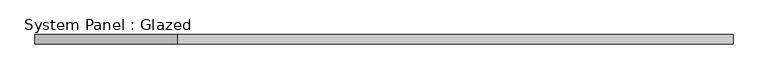
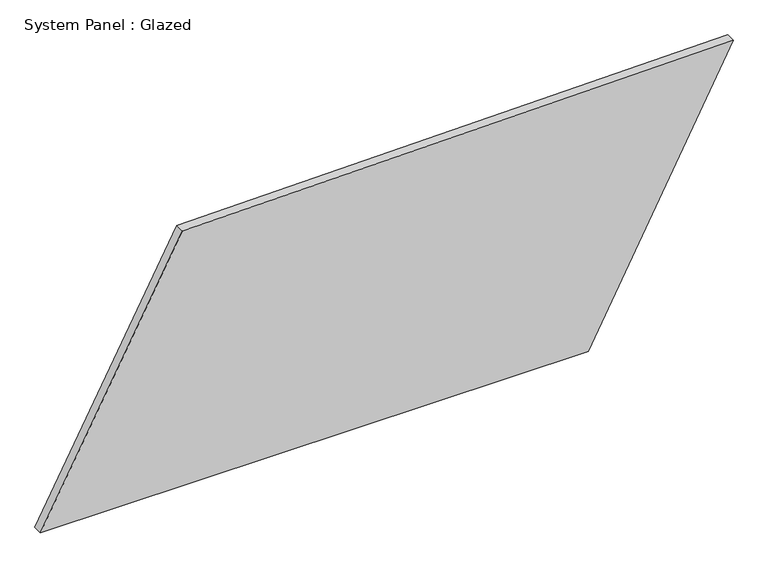
"""IFC4 building model written with IfcOpenShell, lengths in millimetres: plate geometry, System Panel : Glazed."""

import ifcopenshell
import ifcopenshell.guid

model = None  # the IFC model being written
_history = None  # IfcOwnerHistory: only IFC2X3 demands one
_inside = {}  # id of a spatial element -> (the spatial element, [elements in it])
_under = {}  # id of a project, library or spatial element -> (it, [spatial elements below it])
_declared = {}  # id of a project -> (the project, [libraries it declares])
_typed = {}  # id of a type object -> (the type object, [elements of that type])
_made_of = {}  # id of a material, layer set ... -> (it, [elements and type objects made of it])


def new_model(schema):
    """Start an empty IFC model of exactly this schema.

    Asked for "IFC4X3", IfcOpenShell would pick the latest addendum, in which some entities
    have other attributes; the version numbers below select the first issue.
    IFC2X3 requires an IfcOwnerHistory on every rooted entity: one is made here for all.
    """
    global model, _history
    if schema == "IFC4X3":
        model = ifcopenshell.file(schema_version=(4, 3, 0, 0))
    else:
        model = ifcopenshell.file(schema=schema)
    _inside.clear()
    _under.clear()
    _declared.clear()
    _typed.clear()
    _made_of.clear()
    _history = None
    if model.schema == "IFC2X3":
        org = make("IfcOrganization", Name="unknown")
        user = make(
            "IfcPersonAndOrganization",
            ThePerson=make("IfcPerson", FamilyName="unknown"),
            TheOrganization=org,
        )
        app = make(
            "IfcApplication",
            ApplicationDeveloper=org,
            Version="unknown",
            ApplicationFullName="unknown",
            ApplicationIdentifier="unknown",
        )
        _history = make(
            "IfcOwnerHistory",
            OwningUser=user,
            OwningApplication=app,
            ChangeAction="ADDED",
            CreationDate=0,
        )
    return model


def make(cls, **values):
    """One entity of the class cls with the attributes given. An attribute that is None is left unset."""
    return model.create_entity(
        cls, **{name: value for name, value in values.items() if value is not None}
    )


def rooted(cls, **values):
    """An entity with a GlobalId (a new one), such as an element, a storey or a relation."""
    return make(cls, GlobalId=ifcopenshell.guid.new(), OwnerHistory=_history, **values)


def si_unit(unit_type, name, prefix=None):
    """IfcSIUnit, for example si_unit("LENGTHUNIT", "METRE", prefix="MILLI")."""
    return make("IfcSIUnit", UnitType=unit_type, Prefix=prefix, Name=name)


def assignment(units):
    """IfcUnitAssignment: the units of a project."""
    return None if units is None else make("IfcUnitAssignment", Units=units)


def point(xyz):
    """IfcCartesianPoint."""
    return None if xyz is None else make("IfcCartesianPoint", Coordinates=xyz)


def direction(xyz):
    """IfcDirection."""
    return None if xyz is None else make("IfcDirection", DirectionRatios=xyz)


def frame(location, z_axis=None, x_axis=None):
    """IfcAxis2Placement3D, a coordinate frame: its origin and axes. An axis left out is left unset."""
    return make(
        "IfcAxis2Placement3D",
        Location=point(location),
        Axis=direction(z_axis),
        RefDirection=direction(x_axis),
    )


def origin():
    """The frame at (0, 0, 0) with its axes left unset."""
    return frame((0.0, 0.0, 0.0))


def place(relative_to, where):
    """IfcLocalPlacement: puts the frame where relative to a parent placement (None: the world)."""
    return make(
        "IfcLocalPlacement", PlacementRelTo=relative_to, RelativePlacement=where
    )


def context(
    kind, dimensions, precision=None, world=None, true_north=None, identifier=None
):
    """IfcGeometricRepresentationContext, for example the 3D "Model" context."""
    return make(
        "IfcGeometricRepresentationContext",
        ContextIdentifier=identifier,
        ContextType=kind,
        CoordinateSpaceDimension=dimensions,
        Precision=precision,
        WorldCoordinateSystem=world,
        TrueNorth=true_north,
    )


def project(units=None, contexts=None):
    """IfcProject with its units and contexts."""
    return rooted(
        "IfcProject",
        Name="project",
        RepresentationContexts=contexts,
        UnitsInContext=assignment(units),
    )


def spatial(cls, under=None, at=None, **own):
    """A site, building, storey or space (cls), placed at a placement, below another one or the project."""
    s = rooted(cls, ObjectPlacement=at, **own)
    if under is not None:
        _under.setdefault(under.id(), (under, []))[1].append(s)
    return s


def polyline(points):
    """IfcPolyline through the points."""
    return make("IfcPolyline", Points=[point(p) for p in points])


def outline(outer, holes=None, kind="AREA"):
    """IfcArbitraryClosedProfileDef: a profile drawn as a closed curve; with holes, ...WithVoids."""
    if holes is None:
        return make("IfcArbitraryClosedProfileDef", ProfileType=kind, OuterCurve=outer)
    return make(
        "IfcArbitraryProfileDefWithVoids",
        ProfileType=kind,
        OuterCurve=outer,
        InnerCurves=holes,
    )


def extrude(swept, where, along, depth):
    """IfcExtrudedAreaSolid: the profile swept, set in the frame where, extruded along a direction by depth."""
    return make(
        "IfcExtrudedAreaSolid",
        SweptArea=swept,
        Position=where,
        ExtrudedDirection=direction(along),
        Depth=depth,
    )


def shape(context_of_items, identifier, shape_type, items):
    """IfcShapeRepresentation: the items that make up one representation, for example the "Body"."""
    return make(
        "IfcShapeRepresentation",
        ContextOfItems=context_of_items,
        RepresentationIdentifier=identifier,
        RepresentationType=shape_type,
        Items=items,
    )


def source(mapping_origin, context_of_items, identifier, shape_type, items):
    """IfcRepresentationMap: a shape defined once, which mapped items show again and again."""
    return make(
        "IfcRepresentationMap",
        MappingOrigin=mapping_origin,
        MappedRepresentation=shape(context_of_items, identifier, shape_type, items),
    )


def transform(
    local_origin,
    x_axis=None,
    y_axis=None,
    z_axis=None,
    scale=None,
    scale2=None,
    scale3=None,
    uniform=True,
):
    """IfcCartesianTransformationOperator3D, or its non-uniform kind. x_axis, y_axis, z_axis: its Axis1, 2, 3."""
    if uniform:
        return make(
            "IfcCartesianTransformationOperator3D",
            Axis1=direction(x_axis),
            Axis2=direction(y_axis),
            LocalOrigin=point(local_origin),
            Scale=scale,
            Axis3=direction(z_axis),
        )
    return make(
        "IfcCartesianTransformationOperator3DnonUniform",
        Axis1=direction(x_axis),
        Axis2=direction(y_axis),
        LocalOrigin=point(local_origin),
        Scale=scale,
        Axis3=direction(z_axis),
        Scale2=scale2,
        Scale3=scale3,
    )


def mapped(mapping_source, mapping_target):
    """IfcMappedItem: shows the shape of a source again, moved by a transform."""
    return make(
        "IfcMappedItem", MappingSource=mapping_source, MappingTarget=mapping_target
    )


def made_of(thing, what):
    """Note that an element or type object is made of a material, layer set ...; save() writes the relation."""
    if what is not None:
        _made_of.setdefault(what.id(), (what, []))[1].append(thing)
    return thing


def element(
    cls,
    number,
    at=None,
    inside=None,
    cuts=None,
    type_object=None,
    material=None,
    context=None,
    identifier="Body",
    shape_type=None,
    held_by="IfcProductDefinitionShape",
    body=None,
    shapes=None,
    **own,
):
    """One element of the class cls, such as IfcWall. Its Tag is "e" and its number.

    at: its placement. inside: the storey or other place that contains it. cuts: it is an
    opening in that element (IfcRelVoidsElement). A single representation is given by context,
    identifier, shape_type and body (its items); several are given by shapes. held_by: the class
    of the entity that holds the representations. save() writes the other relations.
    """
    e = rooted(cls, Tag="e%d" % number, ObjectPlacement=at, **own)
    if body is not None:
        shapes = [shape(context, identifier, shape_type, body)]
    if shapes is not None:
        e.Representation = make(held_by, Representations=shapes)
    if inside is not None:
        _inside.setdefault(inside.id(), (inside, []))[1].append(e)
    if cuts is not None:
        rooted(
            "IfcRelVoidsElement", RelatingBuildingElement=cuts, RelatedOpeningElement=e
        )
    if type_object is not None:
        _typed.setdefault(type_object.id(), (type_object, []))[1].append(e)
    return made_of(e, material)


def aggregate(whole, parts):
    """IfcRelAggregates: a whole, such as a stair, and the parts it consists of."""
    return rooted("IfcRelAggregates", RelatingObject=whole, RelatedObjects=parts)


def save(model, path):
    """Write the relations noted so far, then the file.

    IfcRelAggregates (storeys below a building ...), IfcRelContainedInSpatialStructure (elements
    in a storey), IfcRelDefinesByType, IfcRelAssociatesMaterial and IfcRelDeclares: one each for
    every whole, place, type object, material and project.
    """
    for whole, parts in _under.values():
        aggregate(whole, parts)
    for where, things in _inside.values():
        rooted(
            "IfcRelContainedInSpatialStructure",
            RelatedElements=things,
            RelatingStructure=where,
        )
    for kind, things in _typed.values():
        rooted("IfcRelDefinesByType", RelatedObjects=things, RelatingType=kind)
    for what, things in _made_of.values():
        rooted("IfcRelAssociatesMaterial", RelatedObjects=things, RelatingMaterial=what)
    for by, libraries in _declared.values():
        rooted("IfcRelDeclares", RelatingContext=by, RelatedDefinitions=libraries)
    model.write(path)


def system_panel_glazed_ffef6ef9(model_context):
    return source(origin(), model_context, "Body", "SweptSolid", [
        extrude(outline(polyline([(0.0, -919.3005282), (0.0, 534.3016999), (739.3258558, 919.3005282), (715.6833072, -542.7323608), (0.0, -919.3005282)])), frame((0.0, -49.5, 0.0), z_axis=(0.0, 1.0, 0.0), x_axis=(0.0, 0.0, 1.0)), (0.0, 0.0, 1.0), 25.0),
    ])


if __name__ == "__main__":
    model = new_model("IFC4")
    model_context = context("Model", 3, world=origin())
    ifc_project = project(units=[si_unit("LENGTHUNIT", "METRE", prefix="MILLI")], contexts=[model_context])
    site = spatial("IfcSite", under=ifc_project)
    building = spatial("IfcBuilding", under=site)
    placement = place(None, origin())
    system_panel_glazed_shape = system_panel_glazed_ffef6ef9(model_context)
    element("IfcPlate", 1, ObjectType="System Panel : Glazed", at=placement, inside=building, context=model_context, shape_type="MappedRepresentation", body=[
        mapped(system_panel_glazed_shape, transform((0.0, 0.0, 0.0), x_axis=(1.0, 0.0, 0.0), y_axis=(0.0, 1.0, 0.0), z_axis=(0.0, 0.0, 1.0))),
    ])
    save(model, "model.ifc")
